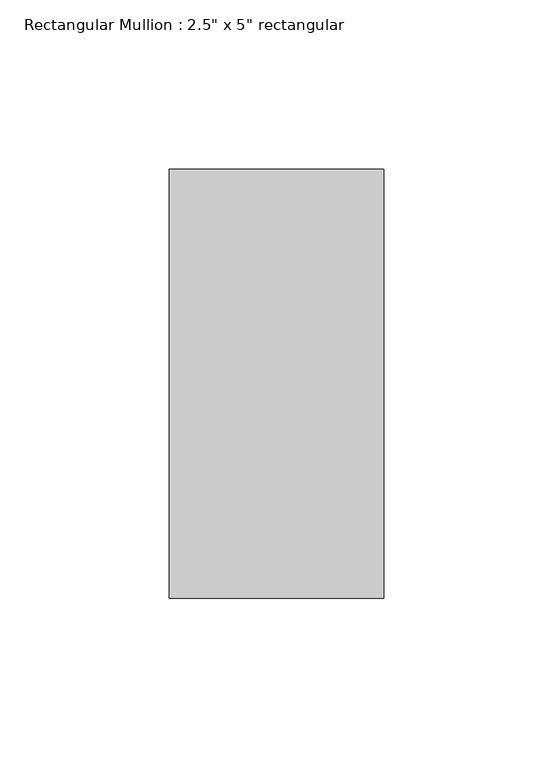
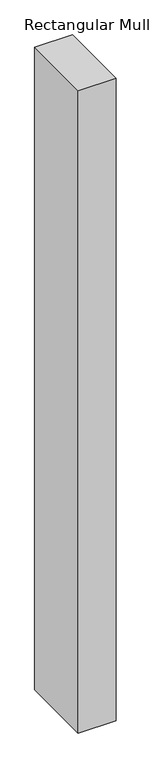
"""IFC4 building model written with IfcOpenShell, lengths in millimetres: member geometry."""

from ifc_helpers import new_model, si_unit, frame, origin, place, context, project, spatial, polyline, outline, extrude, source, transform, mapped, element, save


def member_1ce5d7ef(model_context):
    return source(origin(), model_context, "Body", "SweptSolid", [
        extrude(outline(polyline([(0.0, 63.5), (0.0, -63.5), (-63.5, -63.5), (-63.5, 63.5), (0.0, 63.5)])), frame((0.0, 0.0, -1143.0), z_axis=(0.0, 0.0, 1.0), x_axis=(1.0, 0.0, 0.0)), (0.0, 0.0, 1.0), 1143.0),
    ])


if __name__ == "__main__":
    model = new_model("IFC4")
    model_context = context("Model", 3, world=origin())
    ifc_project = project(units=[si_unit("LENGTHUNIT", "METRE", prefix="MILLI")], contexts=[model_context])
    site = spatial("IfcSite", under=ifc_project)
    building = spatial("IfcBuilding", under=site)
    placement = place(None, origin())
    member_shape = member_1ce5d7ef(model_context)
    element("IfcMember", 1, ObjectType="Rectangular Mullion : 2.5\" x 5\" rectangular", at=placement, inside=building, context=model_context, shape_type="MappedRepresentation", body=[
        mapped(member_shape, transform((0.0, 0.0, 0.0), x_axis=(1.0, 0.0, 0.0), y_axis=(0.0, 1.0, 0.0), z_axis=(0.0, 0.0, 1.0))),
    ])
    save(model, "model.ifc")
